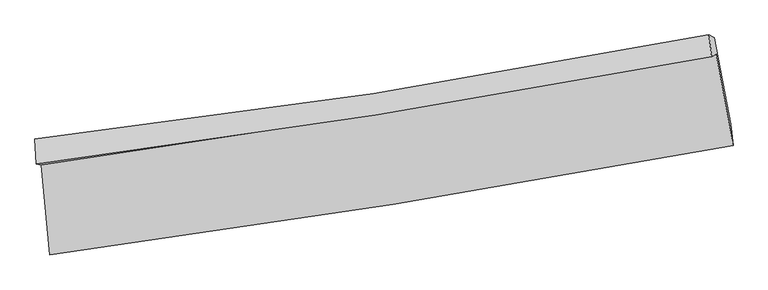
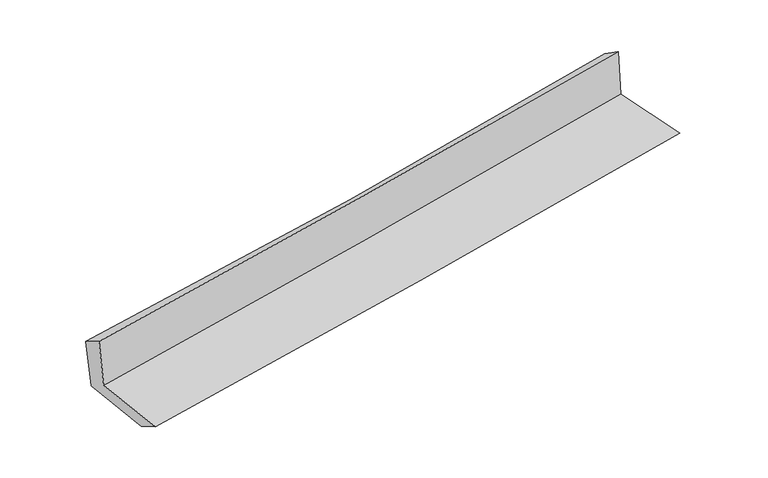
"""IFC4 building model written with IfcOpenShell, lengths in millimetres: proxy geometry."""

from ifc_helpers import new_model, si_unit, frame, origin, place, context, project, spatial, source, transform, mapped, element, save
from ifc_brep_helpers import plane_surface, spline_curve, spline_surface, advanced_brep


def generic_models_136b0ddb(model_context):
    return source(origin(), model_context, "Body", "AdvancedBrep", [
        advanced_brep(
        [(-2465.6503306, -1899.8621023, 1660.5922815), (-2402.4260342, -2551.619764, 1659.919863), (2539.8882819, -1758.7373201, 2107.1903947), (2417.5428374, -1097.8998421, 2102.8393696), (-2501.8607818, -1892.8446924, 2067.4583242), (2385.1343714, -1116.2945939, 2509.1858293), (-2510.0993023, -1711.2602656, 1960.2763707), (2365.1108141, -956.9104423, 2400.5589991), (-2473.1199112, -1729.9246665, 1557.5309006), (2405.3520129, -975.6828075, 1983.6621738), (-2411.1518023, -2364.282119, 1551.9325482), (2521.2602293, -1601.7502002, 1987.7842689)],
        [
            (0, 1),
            (1, 2, spline_curve(3, [(-2402.4260342, -2551.619764, 1659.919863), (-1574.660287365, -2439.565473618, 1741.183700589), (-748.118484957, -2317.316355787, 1819.154324786), (899.31012656, -2052.943129657, 1968.218957596), (1720.206429772, -1910.898099473, 2039.338510651), (2539.8882819, -1758.7373201, 2107.1903947)], [4, 2, 4], [0.0, 8.213586309626491, 16.39525543690197])),
            (2, 3),
            (3, 0, spline_curve(3, [(2417.5428374, -1097.8998421, 2102.8393696), (1608.338441665, -1250.154013317, 2035.892010527), (797.598664201, -1392.999538795, 1965.64259234), (-830.120389353, -1660.39384268, 1818.252709733), (-1647.111667761, -1784.869070682, 1741.086431582), (-2465.6503306, -1899.8621023, 1660.5922815)], [4, 2, 4], [0.0, 8.181669127275478, 16.39525543690197])),
            (4, 0),
            (3, 5),
            (5, 4, spline_curve(3, [(2385.1343714, -1116.2945939, 2509.1858293), (1575.280865048, -1269.097547314, 2445.820860329), (763.900300632, -1410.108555059, 2377.409254557), (-865.086146461, -1669.050769456, 2230.206204028), (-1682.70396621, -1786.88979478, 2151.37530829), (-2501.8607818, -1892.8446924, 2067.4583242)], [4, 2, 4], [0.0, 8.134883548140078, 16.301501765278765])),
            (6, 4),
            (5, 7),
            (7, 6, spline_curve(3, [(2365.1108141, -956.9104423, 2400.5589991), (1559.04801118, -1115.826738467, 2330.554205126), (750.544754424, -1258.057540946, 2258.936161846), (-874.506206313, -1509.637918039, 2112.187897086), (-1691.072988517, -1618.857056744, 2037.045064203), (-2510.0993023, -1711.2602656, 1960.2763707)], [4, 2, 4], [0.0, 8.122819838821044, 16.277327285386548])),
            (8, 6),
            (7, 9),
            (9, 8, spline_curve(3, [(2405.3520129, -975.6828075, 1983.6621738), (1598.889468009, -1134.767203514, 1914.359166362), (789.915191132, -1277.073257736, 1844.267391852), (-836.22248196, -1528.618372603, 1702.229800302), (-1653.40551312, -1637.726271522, 1630.277816929), (-2473.1199112, -1729.9246665, 1557.5309006)], [4, 2, 4], [0.0, 8.112517819541624, 16.256683058032145])),
            (10, 8),
            (9, 11),
            (11, 10, spline_curve(3, [(2521.2602293, -1601.7502002, 1987.7842689), (1705.041908029, -1759.575079866, 1915.187239642), (886.702722169, -1901.93830076, 1842.63836163), (-757.418042071, -2156.236475851, 1697.354078484), (-1583.216200226, -2268.050561297, 1624.61904962), (-2411.1518023, -2364.282119, 1551.9325482)], [4, 2, 4], [0.0, 8.159156875356738, 16.350143111418507])),
            (1, 10),
            (11, 2),
        ],
        [
            spline_surface(3, 3, [[(-2465.6503306, -1899.8621023, 1660.5922815), (-1647.111667646, -1784.869070808, 1741.086431711), (-830.120389274, -1660.393842715, 1818.252709677), (797.598664121, -1392.999538761, 1965.642592396), (1608.338441758, -1250.154013424, 2035.892010468), (2417.5428374, -1097.8998421, 2102.8393696)], [(-2444.575565125, -2117.114656214, 1660.368142011), (-1622.961207505, -2003.101205084, 1741.118854679), (-802.786421181, -1879.368013753, 1818.553248066), (831.50248494, -1612.980735714, 1966.501380794), (1645.627771076, -1470.402042086, 2037.04084384), (2458.324652226, -1318.179001425, 2104.289711298)], [(-2423.500799675, -2334.367210086, 1660.144002489), (-1598.810747389, -2221.333339317, 1741.151277613), (-775.452453077, -2098.342184788, 1818.85378643), (865.406305769, -1832.961932665, 1967.360169166), (1682.917100415, -1690.650070773, 2038.189677218), (2499.106467074, -1538.458160775, 2105.740053002)], [(-2402.4260342, -2551.619764, 1659.919863), (-1574.660287247, -2439.565473593, 1741.18370058), (-748.118484985, -2317.316355826, 1819.154324819), (899.310126588, -2052.943129618, 1968.218957563), (1720.206429733, -1910.898099434, 2039.33851059), (2539.8882819, -1758.7373201, 2107.1903947)]], [4, 4], [4, 2, 4], [0.0, 2.181104594838992], [0.0, 8.213586309626491, 16.39525543690197]),
            spline_surface(3, 3, [[(-2501.8607818, -1892.8446924, 2067.4583242), (-1682.703966194, -1786.889794735, 2151.375308213), (-865.086146348, -1669.050769494, 2230.206204087), (763.900300519, -1410.108555021, 2377.409254499), (1575.280865078, -1269.097547447, 2445.820860365), (2385.1343714, -1116.2945939, 2509.1858293)], [(-2489.790631399, -1895.183829019, 1931.836309949), (-1670.839866677, -1786.216220079, 2014.612349361), (-853.430894002, -1666.165127247, 2092.888372603), (775.133088375, -1404.405549613, 2240.153700451), (1586.300057304, -1262.783036116, 2309.177910398), (2395.937193399, -1110.163009977, 2373.737009399)], [(-2477.720481001, -1897.522965681, 1796.214295751), (-1658.975767163, -1785.542645464, 1877.849390563), (-841.77564162, -1663.279484962, 1955.570541161), (786.365876265, -1398.702544169, 2102.898146445), (1597.319249532, -1256.468524755, 2172.534960434), (2406.740015401, -1104.031426023, 2238.288189501)], [(-2465.6503306, -1899.8621023, 1660.5922815), (-1647.111667646, -1784.869070808, 1741.086431711), (-830.120389274, -1660.393842715, 1818.252709677), (797.598664121, -1392.999538761, 1965.642592396), (1608.338441758, -1250.154013424, 2035.892010468), (2417.5428374, -1097.8998421, 2102.8393696)]], [4, 4], [4, 2, 4], [0.0, 1.3565922409080595], [0.0, 8.166618217138687, 16.301501765278765]),
            spline_surface(3, 3, [[(-2510.0993023, -1711.2602656, 1960.2763707), (-1691.072988535, -1618.857056722, 2037.045064246), (-874.506206405, -1509.63791812, 2112.187897057), (750.544754516, -1258.057540865, 2258.936161875), (1559.048011238, -1115.82673838, 2330.554205196), (2365.1108141, -956.9104423, 2400.5589991)], [(-2507.353128815, -1771.788407852, 1996.003688566), (-1688.283314436, -1674.867969378, 2075.155145602), (-871.366186393, -1562.77553525, 2151.527332735), (754.996603177, -1308.741212255, 2298.427192752), (1564.458962526, -1166.917008052, 2368.976423599), (2371.785333208, -1010.038492816, 2436.767942513)], [(-2504.606955285, -1832.316550148, 2031.731006334), (-1685.493640293, -1730.878882079, 2113.265226858), (-868.226166361, -1615.913152365, 2190.866768408), (759.448451858, -1359.424883631, 2337.918223623), (1569.869913789, -1218.007277775, 2407.398641962), (2378.459852292, -1063.166543384, 2472.976885887)], [(-2501.8607818, -1892.8446924, 2067.4583242), (-1682.703966194, -1786.889794735, 2151.375308213), (-865.086146348, -1669.050769494, 2230.206204087), (763.900300519, -1410.108555021, 2377.409254499), (1575.280865078, -1269.097547447, 2445.820860365), (2385.1343714, -1116.2945939, 2509.1858293)]], [4, 4], [4, 2, 4], [0.0, 0.64264486033833], [0.0, 8.154507446565503, 16.277327285386548]),
            spline_surface(3, 3, [[(-2473.1199112, -1729.9246665, 1557.5309006), (-1653.405513101, -1637.726271637, 1630.277816855), (-836.222481896, -1528.618372651, 1702.229800234), (789.915191069, -1277.073257688, 1844.26739192), (1598.889467919, -1134.767203647, 1914.359166254), (2405.3520129, -975.6828075, 1983.6621738)], [(-2485.446374893, -1723.703199564, 1691.779390624), (-1665.961338238, -1631.436533363, 1765.866899309), (-848.983723388, -1522.291554463, 1838.8824992), (776.791712229, -1270.734685402, 1982.490315263), (1585.60898235, -1128.453715235, 2053.090845883), (2391.938279959, -969.425352444, 2122.627782215)], [(-2497.772838607, -1717.481732536, 1826.027880676), (-1678.517163397, -1625.146794996, 1901.455981792), (-861.744964914, -1515.964736308, 1975.535198091), (763.668233356, -1264.39611315, 2120.713238532), (1572.328496806, -1122.140226791, 2191.822525568), (2378.524547041, -963.167897356, 2261.593390685)], [(-2510.0993023, -1711.2602656, 1960.2763707), (-1691.072988535, -1618.857056722, 2037.045064246), (-874.506206405, -1509.63791812, 2112.187897057), (750.544754516, -1258.057540865, 2258.936161875), (1559.048011238, -1115.82673838, 2330.554205196), (2365.1108141, -956.9104423, 2400.5589991)]], [4, 4], [4, 2, 4], [0.0, 1.3601172789497198], [0.0, 8.14416523849052, 16.256683058032145]),
            spline_surface(3, 3, [[(-2411.1518023, -2364.282119, 1551.9325482), (-1583.216200206, -2268.050561305, 1624.619049519), (-757.418042138, -2156.236475942, 1697.354078397), (886.702722236, -1901.93830067, 1842.638361716), (1705.04190799, -1759.575079745, 1915.187239729), (2521.2602293, -1601.7502002, 1987.7842689)], [(-2431.807838583, -2152.829634832, 1553.798665658), (-1606.612637821, -2057.942464747, 1626.50530529), (-783.686188725, -1947.030441505, 1698.979318984), (854.440211846, -1693.649953002, 1843.181371758), (1669.657761284, -1551.305787713, 1914.911215234), (2482.624157151, -1393.061069301, 1986.410237197)], [(-2452.463874917, -1941.377150668, 1555.664783142), (-1630.009075487, -1847.834368195, 1628.391561085), (-809.954335309, -1737.824407088, 1700.604559647), (822.177701459, -1485.361605355, 1843.724381878), (1634.273614624, -1343.036495678, 1914.635190749), (2443.988085049, -1184.371938399, 1985.036205503)], [(-2473.1199112, -1729.9246665, 1557.5309006), (-1653.405513101, -1637.726271637, 1630.277816855), (-836.222481896, -1528.618372651, 1702.229800234), (789.915191069, -1277.073257688, 1844.26739192), (1598.889467919, -1134.767203647, 1914.359166254), (2405.3520129, -975.6828075, 1983.6621738)]], [4, 4], [4, 2, 4], [0.0, 2.0747203705379778], [0.0, 8.19098623606177, 16.350143111418507]),
            spline_surface(3, 3, [[(-2402.4260342, -2551.619764, 1659.919863), (-1574.660287247, -2439.565473593, 1741.18370058), (-748.118484985, -2317.316355826, 1819.154324819), (899.310126588, -2052.943129618, 1968.218957563), (1720.206429733, -1910.898099434, 2039.33851059), (2539.8882819, -1758.7373201, 2107.1903947)], [(-2405.334623586, -2489.173882319, 1623.924091391), (-1577.512258253, -2382.393836149, 1702.328816885), (-751.218337358, -2263.623062532, 1778.554242684), (895.107658482, -2002.608186635, 1926.358758953), (1715.151589175, -1860.457092875, 1997.954753648), (2533.678931057, -1706.408280137, 2067.388352779)], [(-2408.243212914, -2426.728000681, 1587.928319809), (-1580.3642292, -2325.222198749, 1663.473933215), (-754.318189765, -2209.929769237, 1737.954160533), (890.905190342, -1952.273243652, 1884.498560327), (1710.096748548, -1810.016086304, 1956.570996671), (2527.469580143, -1654.079240163, 2027.586310821)], [(-2411.1518023, -2364.282119, 1551.9325482), (-1583.216200206, -2268.050561305, 1624.619049519), (-757.418042138, -2156.236475942, 1697.354078397), (886.702722236, -1901.93830067, 1842.638361716), (1705.04190799, -1759.575079745, 1915.187239729), (2521.2602293, -1601.7502002, 1987.7842689)]], [4, 4], [4, 2, 4], [0.0, 0.6543008639464444], [0.0, 8.248338501101761, 16.464624776280726]),
            plane_surface(frame((2439.0480911, -1251.2125343, 2181.8701726), z_axis=(0.9795152467416774, 0.18191306244625235, 0.08635692856984215), x_axis=(-0.09598264298620478, 0.04477553543434577, 0.9943754239078672))),
            plane_surface(frame((-2460.7180271, -2024.9656016, 1742.9517147), z_axis=(-0.991597770304563, -0.09610143186024063, -0.08659316786808839), x_axis=(-0.09655256175226086, 0.9953273573743676, 0.0010268793667971424))),
        ],
        [
            (0, [[1, 2, 3, 4]]),
            (1, [[5, -4, 6, 7]]),
            (2, [[8, -7, 9, 10]]),
            (3, [[11, -10, 12, 13]]),
            (4, [[14, -13, 15, 16]]),
            (5, [[17, -16, 18, -2]]),
            (6, [[-12, -9, -6, -3, -18, -15]]),
            (7, [[-1, -5, -8, -11, -14, -17]]),
        ],
    ),
    ])


if __name__ == "__main__":
    model = new_model("IFC4")
    model_context = context("Model", 3, world=origin())
    ifc_project = project(units=[si_unit("LENGTHUNIT", "METRE", prefix="MILLI")], contexts=[model_context])
    site = spatial("IfcSite", under=ifc_project)
    building = spatial("IfcBuilding", under=site)
    placement = place(None, origin())
    generic_models_shape = generic_models_136b0ddb(model_context)
    element("IfcBuildingElementProxy", 1, Name="Generic Models", at=placement, inside=building, context=model_context, shape_type="MappedRepresentation", body=[
        mapped(generic_models_shape, transform((0.0, 0.0, 0.0), x_axis=(1.0, 0.0, 0.0), y_axis=(0.0, 1.0, 0.0), z_axis=(0.0, 0.0, 1.0))),
    ])
    save(model, "model.ifc")
